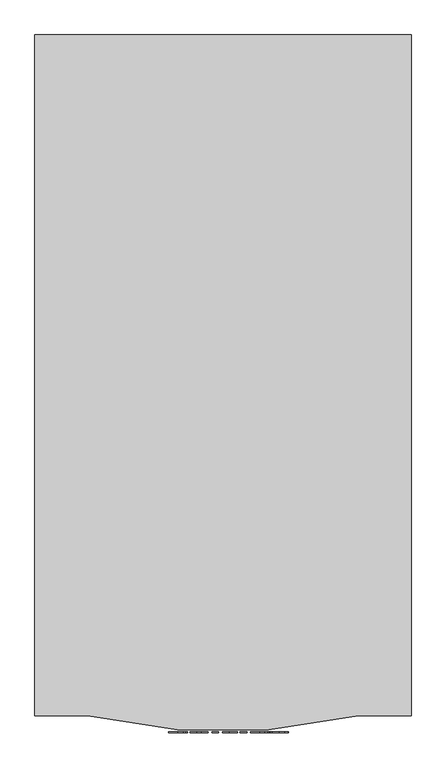
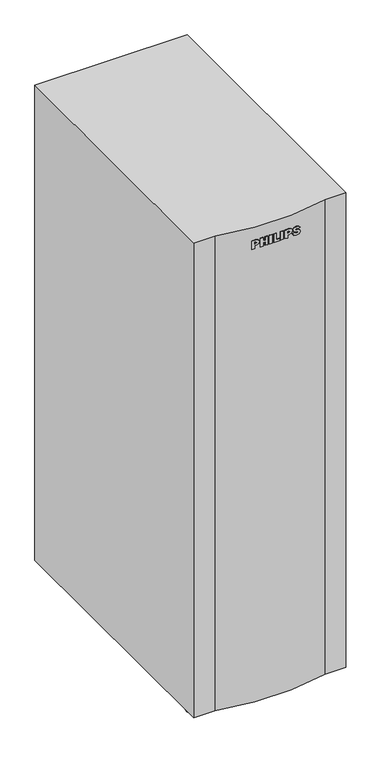
"""IFC4 building model written with IfcOpenShell, lengths in millimetres: proxy geometry."""

from ifc_helpers import new_model, si_unit, point, frame, frame_2d, origin, place, context, project, spatial, polyline, circle_curve, ellipse_curve, trimmed, segment, composite_curve, outline, extrude, source, transform, mapped, element, save
from ifc_brep_helpers import plane_surface, cylinder_surface, revolved_surface, advanced_brep


def specialty_equipment_9ed20ce3(model_context):
    return source(origin(), model_context, "Body", "SolidModel", [
        advanced_brep(
        [(245.0911998, 406.2400326, 3.175), (245.0911998, 450.6901406, 3.175), (245.0911998, 450.6901406, 0.0), (245.0911998, 406.2400326, 0.0), (245.0911998, 428.4650866, 0.0), (245.0911998, 428.4650866, 66.6216), (245.0911998, 444.3121406, 66.6216), (245.0911998, 412.6180326, 66.6216), (245.0911998, 441.1651406, 63.4746), (245.0911998, 415.7650326, 63.4746), (245.0911998, 441.1651406, 34.925), (245.0911998, 415.7650326, 34.925), (245.0911998, 433.2276406, 34.925), (245.0911998, 423.7025326, 34.925), (245.0911998, 433.2276406, 22.225), (245.0911998, 423.7025326, 22.225), (245.0911998, 434.8151406, 22.225), (245.0911998, 422.1150326, 22.225), (245.0911998, 434.8151406, 16.891), (245.0911998, 422.1150326, 16.891), (245.0911998, 435.8311406, 15.875), (245.0911998, 421.0990326, 15.875), (245.0911998, 450.6901406, 15.875), (245.0911998, 406.2400326, 15.875), (245.0911998, 452.2776406, 14.2875), (245.0911998, 404.6525326, 14.2875), (245.0911998, 452.2776406, 3.175), (245.0911998, 404.6525326, 3.175)],
        [
            (0, 1, circle_curve(frame((245.0911998, 428.4650866, 3.175), z_axis=(0.0, 0.0, -1.0), x_axis=(0.0, 1.0, 0.0)), 22.225054)),
            (1, 2),
            (2, 3, circle_curve(frame((245.0911998, 428.4650866, 0.0), z_axis=(0.0, 0.0, 1.0), x_axis=(0.0, 1.0, 0.0)), 22.225054)),
            (3, 0),
            (1, 0, circle_curve(frame((245.0911998, 428.4650866, 3.175), z_axis=(0.0, 0.0, -1.0), x_axis=(0.0, 1.0, 0.0)), 22.225054)),
            (3, 2, circle_curve(frame((245.0911998, 428.4650866, 0.0), z_axis=(0.0, 0.0, 1.0), x_axis=(0.0, 1.0, 0.0)), 22.225054)),
            (2, 4),
            (4, 3),
            (5, 6),
            (6, 7, circle_curve(frame((245.0911998, 428.4650866, 66.6216), z_axis=(0.0, 0.0, 1.0), x_axis=(0.0, 1.0, 0.0)), 15.847054)),
            (7, 5),
            (7, 6, circle_curve(frame((245.0911998, 428.4650866, 66.6216), z_axis=(0.0, 0.0, 1.0), x_axis=(0.0, 1.0, 0.0)), 15.847054)),
            (6, 8),
            (8, 9, circle_curve(frame((245.0911998, 428.4650866, 63.4746), z_axis=(0.0, 0.0, 1.0), x_axis=(0.0, 1.0, 0.0)), 12.700054)),
            (9, 7),
            (9, 8, circle_curve(frame((245.0911998, 428.4650866, 63.4746), z_axis=(0.0, 0.0, 1.0), x_axis=(0.0, 1.0, 0.0)), 12.700054)),
            (8, 10),
            (10, 11, circle_curve(frame((245.0911998, 428.4650866, 34.925), z_axis=(0.0, 0.0, 1.0), x_axis=(0.0, 1.0, 0.0)), 12.700054)),
            (11, 9),
            (11, 10, circle_curve(frame((245.0911998, 428.4650866, 34.925), z_axis=(0.0, 0.0, 1.0), x_axis=(0.0, 1.0, 0.0)), 12.700054)),
            (10, 12),
            (12, 13, circle_curve(frame((245.0911998, 428.4650866, 34.925), z_axis=(0.0, 0.0, 1.0), x_axis=(0.0, 1.0, 0.0)), 4.762554)),
            (13, 11),
            (13, 12, circle_curve(frame((245.0911998, 428.4650866, 34.925), z_axis=(0.0, 0.0, 1.0), x_axis=(0.0, 1.0, 0.0)), 4.762554)),
            (12, 14),
            (14, 15, circle_curve(frame((245.0911998, 428.4650866, 22.225), z_axis=(0.0, 0.0, 1.0), x_axis=(0.0, 1.0, 0.0)), 4.762554)),
            (15, 13),
            (15, 14, circle_curve(frame((245.0911998, 428.4650866, 22.225), z_axis=(0.0, 0.0, 1.0), x_axis=(0.0, 1.0, 0.0)), 4.762554)),
            (14, 16),
            (16, 17, circle_curve(frame((245.0911998, 428.4650866, 22.225), z_axis=(0.0, 0.0, 1.0), x_axis=(0.0, 1.0, 0.0)), 6.350054)),
            (17, 15),
            (17, 16, circle_curve(frame((245.0911998, 428.4650866, 22.225), z_axis=(0.0, 0.0, 1.0), x_axis=(0.0, 1.0, 0.0)), 6.350054)),
            (16, 18),
            (18, 19, circle_curve(frame((245.0911998, 428.4650866, 16.891), z_axis=(0.0, 0.0, 1.0), x_axis=(0.0, 1.0, 0.0)), 6.350054)),
            (19, 17),
            (19, 18, circle_curve(frame((245.0911998, 428.4650866, 16.891), z_axis=(0.0, 0.0, 1.0), x_axis=(0.0, 1.0, 0.0)), 6.350054)),
            (18, 20),
            (20, 21, circle_curve(frame((245.0911998, 428.4650866, 15.875), z_axis=(0.0, 0.0, 1.0), x_axis=(0.0, 1.0, 0.0)), 7.366054)),
            (21, 19),
            (21, 20, circle_curve(frame((245.0911998, 428.4650866, 15.875), z_axis=(0.0, 0.0, 1.0), x_axis=(0.0, 1.0, 0.0)), 7.366054)),
            (20, 22),
            (22, 23, circle_curve(frame((245.0911998, 428.4650866, 15.875), z_axis=(0.0, 0.0, 1.0), x_axis=(0.0, 1.0, 0.0)), 22.225054)),
            (23, 21),
            (23, 22, circle_curve(frame((245.0911998, 428.4650866, 15.875), z_axis=(0.0, 0.0, 1.0), x_axis=(0.0, 1.0, 0.0)), 22.225054)),
            (22, 24, circle_curve(frame((245.0911998, 450.6901406, 14.2875), z_axis=(-1.0, 0.0, 0.0), x_axis=(0.0, -1.0, 0.0)), 1.5875)),
            (24, 25, circle_curve(frame((245.0911998, 428.4650866, 14.2875), z_axis=(0.0, 0.0, 1.0), x_axis=(0.0, 1.0, 0.0)), 23.812554)),
            (25, 23, circle_curve(frame((245.0911998, 406.2400326, 14.2875), z_axis=(-1.0, 0.0, 0.0), x_axis=(0.0, 1.0, 0.0)), 1.5875)),
            (25, 24, circle_curve(frame((245.0911998, 428.4650866, 14.2875), z_axis=(0.0, 0.0, 1.0), x_axis=(0.0, 1.0, 0.0)), 23.812554)),
            (24, 26),
            (26, 27, circle_curve(frame((245.0911998, 428.4650866, 3.175), z_axis=(0.0, 0.0, 1.0), x_axis=(0.0, 1.0, 0.0)), 23.812554)),
            (27, 25),
            (27, 26, circle_curve(frame((245.0911998, 428.4650866, 3.175), z_axis=(0.0, 0.0, 1.0), x_axis=(0.0, 1.0, 0.0)), 23.812554)),
            (26, 1),
            (0, 27),
        ],
        [
            cylinder_surface(frame((245.0911998, 428.4650866, 63.4746), z_axis=(0.0, 0.0, 1.0), x_axis=(0.0, 1.0, 0.0)), 22.225054),
            plane_surface(frame((245.0911998, 428.4650866, 0.0), z_axis=(0.0, 0.0, -1.0), x_axis=(0.0, 1.0, 0.0))),
            plane_surface(frame((245.0911998, 428.4650866, 66.6216), z_axis=(0.0, 0.0, 1.0), x_axis=(0.0, 1.0, 0.0))),
            revolved_surface(polyline([(245.0911998, 441.1651406, 63.4746), (245.0911998, 444.3121406, 66.6216)]), (245.0911998, 428.4650866, 63.4746), (0.0, 0.0, 1.0)),
            cylinder_surface(frame((245.0911998, 428.4650866, 63.4746), z_axis=(0.0, 0.0, 1.0), x_axis=(0.0, 1.0, 0.0)), 12.700054),
            plane_surface(frame((245.0911998, 428.4650866, 34.925), z_axis=(0.0, 0.0, -1.0), x_axis=(0.0, 1.0, 0.0))),
            cylinder_surface(frame((245.0911998, 428.4650866, 63.4746), z_axis=(0.0, 0.0, 1.0), x_axis=(0.0, 1.0, 0.0)), 4.762554),
            plane_surface(frame((245.0911998, 428.4650866, 22.225), z_axis=(0.0, 0.0, 1.0), x_axis=(0.0, 1.0, 0.0))),
            cylinder_surface(frame((245.0911998, 428.4650866, 63.4746), z_axis=(0.0, 0.0, 1.0), x_axis=(0.0, 1.0, 0.0)), 6.350054),
            revolved_surface(polyline([(245.0911998, 435.8311406, 15.875), (245.0911998, 434.8151406, 16.891)]), (245.0911998, 428.4650866, 63.4746), (0.0, 0.0, 1.0)),
            plane_surface(frame((245.0911998, 428.4650866, 15.875), z_axis=(0.0, 0.0, 1.0), x_axis=(0.0, 1.0, 0.0))),
            revolved_surface(trimmed(ellipse_curve(frame((245.0911998, 450.6901406, 14.2875), z_axis=(1.0, 0.0, 0.0), x_axis=(0.0, -1.0, 0.0)), 1.5875, 1.5875), [point((245.0911998, 452.2776406, 14.2875))], [point((245.0911998, 450.6901406, 15.875))], True, "CARTESIAN"), (245.0911998, 428.4650866, 63.4746), (0.0, 0.0, 1.0)),
            cylinder_surface(frame((245.0911998, 428.4650866, 63.4746), z_axis=(0.0, 0.0, 1.0), x_axis=(0.0, 1.0, 0.0)), 23.812554),
            plane_surface(frame((245.0911998, 428.4650866, 3.175), z_axis=(0.0, 0.0, -1.0), x_axis=(0.0, 1.0, 0.0))),
        ],
        [
            (0, [[1, 2, 3, 4]]),
            (0, [[5, -4, 6, -2]]),
            (1, [[-3, 7, 8]]),
            (1, [[-6, -8, -7]]),
            (2, [[9, 10, 11]]),
            (2, [[-11, 12, -9]]),
            (3, [[-10, 13, 14, 15]]),
            (3, [[-12, -15, 16, -13]]),
            (4, [[-14, 17, 18, 19]]),
            (4, [[-16, -19, 20, -17]]),
            (5, [[-18, 21, 22, 23]]),
            (5, [[-20, -23, 24, -21]]),
            (6, [[-22, 25, 26, 27]]),
            (6, [[-24, -27, 28, -25]]),
            (7, [[-26, 29, 30, 31]]),
            (7, [[-28, -31, 32, -29]]),
            (8, [[-30, 33, 34, 35]]),
            (8, [[-32, -35, 36, -33]]),
            (9, [[-34, 37, 38, 39]]),
            (9, [[-36, -39, 40, -37]]),
            (10, [[-38, 41, 42, 43]]),
            (10, [[-40, -43, 44, -41]]),
            (11, [[-42, 45, 46, 47]]),
            (11, [[-44, -47, 48, -45]]),
            (12, [[-46, 49, 50, 51]]),
            (12, [[-48, -51, 52, -49]]),
            (13, [[-50, 53, -1, 54]]),
            (13, [[-52, -54, -5, -53]]),
        ],
    ),
        advanced_brep(
        [(-248.4592731, -406.2400326, 0.0), (-248.4592731, -450.6901406, 0.0), (-248.4592731, -450.6901406, 3.175), (-248.4592731, -406.2400326, 3.175), (-248.4592731, -428.4650866, 0.0), (-248.4592731, -412.6180326, 66.6216), (-248.4592731, -444.3121406, 66.6216), (-248.4592731, -428.4650866, 66.6216), (-248.4592731, -415.7650326, 63.4746), (-248.4592731, -441.1651406, 63.4746), (-248.4592731, -415.7650326, 34.925), (-248.4592731, -441.1651406, 34.925), (-248.4592731, -423.7025326, 34.925), (-248.4592731, -433.2276406, 34.925), (-248.4592731, -423.7025326, 22.225), (-248.4592731, -433.2276406, 22.225), (-248.4592731, -422.1150326, 22.225), (-248.4592731, -434.8151406, 22.225), (-248.4592731, -422.1150326, 16.891), (-248.4592731, -434.8151406, 16.891), (-248.4592731, -421.0990326, 15.875), (-248.4592731, -435.8311406, 15.875), (-248.4592731, -406.2400326, 15.875), (-248.4592731, -450.6901406, 15.875), (-248.4592731, -404.6525326, 14.2875), (-248.4592731, -452.2776406, 14.2875), (-248.4592731, -404.6525326, 3.175), (-248.4592731, -452.2776406, 3.175)],
        [
            (0, 1, circle_curve(frame((-248.4592731, -428.4650866, 0.0), z_axis=(0.0, 0.0, 1.0), x_axis=(0.0, -1.0, 0.0)), 22.225054)),
            (1, 2),
            (2, 3, circle_curve(frame((-248.4592731, -428.4650866, 3.175), z_axis=(0.0, 0.0, -1.0), x_axis=(0.0, -1.0, 0.0)), 22.225054)),
            (3, 0),
            (1, 0, circle_curve(frame((-248.4592731, -428.4650866, 0.0), z_axis=(0.0, 0.0, 1.0), x_axis=(0.0, -1.0, 0.0)), 22.225054)),
            (3, 2, circle_curve(frame((-248.4592731, -428.4650866, 3.175), z_axis=(0.0, 0.0, -1.0), x_axis=(0.0, -1.0, 0.0)), 22.225054)),
            (4, 1),
            (0, 4),
            (5, 6, circle_curve(frame((-248.4592731, -428.4650866, 66.6216), z_axis=(0.0, 0.0, 1.0), x_axis=(0.0, -1.0, 0.0)), 15.847054)),
            (6, 7),
            (7, 5),
            (6, 5, circle_curve(frame((-248.4592731, -428.4650866, 66.6216), z_axis=(0.0, 0.0, 1.0), x_axis=(0.0, -1.0, 0.0)), 15.847054)),
            (8, 9, circle_curve(frame((-248.4592731, -428.4650866, 63.4746), z_axis=(0.0, 0.0, 1.0), x_axis=(0.0, -1.0, 0.0)), 12.700054)),
            (9, 6),
            (5, 8),
            (9, 8, circle_curve(frame((-248.4592731, -428.4650866, 63.4746), z_axis=(0.0, 0.0, 1.0), x_axis=(0.0, -1.0, 0.0)), 12.700054)),
            (10, 11, circle_curve(frame((-248.4592731, -428.4650866, 34.925), z_axis=(0.0, 0.0, 1.0), x_axis=(0.0, -1.0, 0.0)), 12.700054)),
            (11, 9),
            (8, 10),
            (11, 10, circle_curve(frame((-248.4592731, -428.4650866, 34.925), z_axis=(0.0, 0.0, 1.0), x_axis=(0.0, -1.0, 0.0)), 12.700054)),
            (12, 13, circle_curve(frame((-248.4592731, -428.4650866, 34.925), z_axis=(0.0, 0.0, 1.0), x_axis=(0.0, -1.0, 0.0)), 4.762554)),
            (13, 11),
            (10, 12),
            (13, 12, circle_curve(frame((-248.4592731, -428.4650866, 34.925), z_axis=(0.0, 0.0, 1.0), x_axis=(0.0, -1.0, 0.0)), 4.762554)),
            (14, 15, circle_curve(frame((-248.4592731, -428.4650866, 22.225), z_axis=(0.0, 0.0, 1.0), x_axis=(0.0, -1.0, 0.0)), 4.762554)),
            (15, 13),
            (12, 14),
            (15, 14, circle_curve(frame((-248.4592731, -428.4650866, 22.225), z_axis=(0.0, 0.0, 1.0), x_axis=(0.0, -1.0, 0.0)), 4.762554)),
            (16, 17, circle_curve(frame((-248.4592731, -428.4650866, 22.225), z_axis=(0.0, 0.0, 1.0), x_axis=(0.0, -1.0, 0.0)), 6.350054)),
            (17, 15),
            (14, 16),
            (17, 16, circle_curve(frame((-248.4592731, -428.4650866, 22.225), z_axis=(0.0, 0.0, 1.0), x_axis=(0.0, -1.0, 0.0)), 6.350054)),
            (18, 19, circle_curve(frame((-248.4592731, -428.4650866, 16.891), z_axis=(0.0, 0.0, 1.0), x_axis=(0.0, -1.0, 0.0)), 6.350054)),
            (19, 17),
            (16, 18),
            (19, 18, circle_curve(frame((-248.4592731, -428.4650866, 16.891), z_axis=(0.0, 0.0, 1.0), x_axis=(0.0, -1.0, 0.0)), 6.350054)),
            (20, 21, circle_curve(frame((-248.4592731, -428.4650866, 15.875), z_axis=(0.0, 0.0, 1.0), x_axis=(0.0, -1.0, 0.0)), 7.366054)),
            (21, 19),
            (18, 20),
            (21, 20, circle_curve(frame((-248.4592731, -428.4650866, 15.875), z_axis=(0.0, 0.0, 1.0), x_axis=(0.0, -1.0, 0.0)), 7.366054)),
            (22, 23, circle_curve(frame((-248.4592731, -428.4650866, 15.875), z_axis=(0.0, 0.0, 1.0), x_axis=(0.0, -1.0, 0.0)), 22.225054)),
            (23, 21),
            (20, 22),
            (23, 22, circle_curve(frame((-248.4592731, -428.4650866, 15.875), z_axis=(0.0, 0.0, 1.0), x_axis=(0.0, -1.0, 0.0)), 22.225054)),
            (24, 25, circle_curve(frame((-248.4592731, -428.4650866, 14.2875), z_axis=(0.0, 0.0, 1.0), x_axis=(0.0, -1.0, 0.0)), 23.812554)),
            (25, 23, circle_curve(frame((-248.4592731, -450.6901406, 14.2875), z_axis=(-1.0, 0.0, 0.0), x_axis=(0.0, 1.0, 0.0)), 1.5875)),
            (22, 24, circle_curve(frame((-248.4592731, -406.2400326, 14.2875), z_axis=(-1.0, 0.0, 0.0), x_axis=(0.0, -1.0, 0.0)), 1.5875)),
            (25, 24, circle_curve(frame((-248.4592731, -428.4650866, 14.2875), z_axis=(0.0, 0.0, 1.0), x_axis=(0.0, -1.0, 0.0)), 23.812554)),
            (26, 27, circle_curve(frame((-248.4592731, -428.4650866, 3.175), z_axis=(0.0, 0.0, 1.0), x_axis=(0.0, -1.0, 0.0)), 23.812554)),
            (27, 25),
            (24, 26),
            (27, 26, circle_curve(frame((-248.4592731, -428.4650866, 3.175), z_axis=(0.0, 0.0, 1.0), x_axis=(0.0, -1.0, 0.0)), 23.812554)),
            (2, 27),
            (26, 3),
        ],
        [
            cylinder_surface(frame((-248.4592731, -428.4650866, 63.4746), z_axis=(0.0, 0.0, -1.0), x_axis=(0.0, -1.0, 0.0)), 22.225054),
            plane_surface(frame((-248.4592731, -428.4650866, 0.0), z_axis=(0.0, 0.0, -1.0), x_axis=(0.0, -1.0, 0.0))),
            plane_surface(frame((-248.4592731, -428.4650866, 66.6216), z_axis=(0.0, 0.0, 1.0), x_axis=(0.0, -1.0, 0.0))),
            revolved_surface(polyline([(-248.4592731, -444.3121406, 66.6216), (-248.4592731, -441.1651406, 63.4746)]), (-248.4592731, -428.4650866, 63.4746), (0.0, 0.0, -1.0)),
            cylinder_surface(frame((-248.4592731, -428.4650866, 63.4746), z_axis=(0.0, 0.0, -1.0), x_axis=(0.0, -1.0, 0.0)), 12.700054),
            plane_surface(frame((-248.4592731, -428.4650866, 34.925), z_axis=(0.0, 0.0, -1.0), x_axis=(0.0, -1.0, 0.0))),
            cylinder_surface(frame((-248.4592731, -428.4650866, 63.4746), z_axis=(0.0, 0.0, -1.0), x_axis=(0.0, -1.0, 0.0)), 4.762554),
            plane_surface(frame((-248.4592731, -428.4650866, 22.225), z_axis=(0.0, 0.0, 1.0), x_axis=(0.0, -1.0, 0.0))),
            cylinder_surface(frame((-248.4592731, -428.4650866, 63.4746), z_axis=(0.0, 0.0, -1.0), x_axis=(0.0, -1.0, 0.0)), 6.350054),
            revolved_surface(polyline([(-248.4592731, -434.8151406, 16.891), (-248.4592731, -435.8311406, 15.875)]), (-248.4592731, -428.4650866, 63.4746), (0.0, 0.0, -1.0)),
            plane_surface(frame((-248.4592731, -428.4650866, 15.875), z_axis=(0.0, 0.0, 1.0), x_axis=(0.0, -1.0, 0.0))),
            revolved_surface(trimmed(ellipse_curve(frame((-248.4592731, -450.6901406, 14.2875), z_axis=(1.0, 0.0, 0.0), x_axis=(0.0, 1.0, 0.0)), 1.5875, 1.5875), [point((-248.4592731, -450.6901406, 15.875))], [point((-248.4592731, -452.2776406, 14.2875))], True, "CARTESIAN"), (-248.4592731, -428.4650866, 63.4746), (0.0, 0.0, -1.0)),
            cylinder_surface(frame((-248.4592731, -428.4650866, 63.4746), z_axis=(0.0, 0.0, -1.0), x_axis=(0.0, -1.0, 0.0)), 23.812554),
            plane_surface(frame((-248.4592731, -428.4650866, 3.175), z_axis=(0.0, 0.0, -1.0), x_axis=(0.0, -1.0, 0.0))),
        ],
        [
            (0, [[1, 2, 3, 4]]),
            (0, [[5, -4, 6, -2]]),
            (1, [[7, -1, 8]]),
            (1, [[-8, -5, -7]]),
            (2, [[9, 10, 11]]),
            (2, [[12, -11, -10]]),
            (3, [[13, 14, -9, 15]]),
            (3, [[16, -15, -12, -14]]),
            (4, [[17, 18, -13, 19]]),
            (4, [[20, -19, -16, -18]]),
            (5, [[21, 22, -17, 23]]),
            (5, [[24, -23, -20, -22]]),
            (6, [[25, 26, -21, 27]]),
            (6, [[28, -27, -24, -26]]),
            (7, [[29, 30, -25, 31]]),
            (7, [[32, -31, -28, -30]]),
            (8, [[33, 34, -29, 35]]),
            (8, [[36, -35, -32, -34]]),
            (9, [[37, 38, -33, 39]]),
            (9, [[40, -39, -36, -38]]),
            (10, [[41, 42, -37, 43]]),
            (10, [[44, -43, -40, -42]]),
            (11, [[45, 46, -41, 47]]),
            (11, [[48, -47, -44, -46]]),
            (12, [[49, 50, -45, 51]]),
            (12, [[52, -51, -48, -50]]),
            (13, [[-3, 53, -49, 54]]),
            (13, [[-6, -54, -52, -53]]),
        ],
    ),
        extrude(outline(composite_curve([segment(polyline([(-392.6631786, 72.8965977), (-376.9107355, 97.028), (-301.0788976, 97.028), (-339.4896026, 38.1860689)]), True, "CONTINUOUS"), segment(trimmed(circle_curve(frame_2d((-366.0763906, 55.5413333)), 31.75), [point((-339.4896026, 38.1860689))], [point((-392.6631786, 72.8965977))], False, "CARTESIAN"), True, "CONTINUOUS")], self_intersect=False)), frame((-251.242125, 0.0, 0.0), z_axis=(1.0, 0.0, 0.0), x_axis=(0.0, 1.0, 0.0)), (0.0, 0.0, 1.0), 6.35),
        extrude(outline(composite_curve([segment(polyline([(-392.6631786, 72.8965977), (-376.9107355, 97.028), (-301.0788976, 97.028), (-339.4896026, 38.1860689)]), True, "CONTINUOUS"), segment(trimmed(circle_curve(frame_2d((-366.0763906, 55.5413333)), 31.75), [point((-339.4896026, 38.1860689))], [point((-392.6631786, 72.8965977))], False, "CARTESIAN"), True, "CONTINUOUS")], self_intersect=False)), frame((-154.05875, 0.0, 0.0), z_axis=(1.0, 0.0, 0.0), x_axis=(0.0, 1.0, 0.0)), (0.0, 0.0, 1.0), 6.35),
        advanced_brep(
        [(-154.82075, -365.7201406, 48.9542667), (-154.82075, -365.7201406, 62.1284), (-137.54875, -365.7201406, 62.1284), (-137.54875, -365.7201406, 48.9542667), (-154.82075, -365.7201406, 34.8403333), (-154.82075, -365.7201406, 76.2423333), (-156.4696108, -365.7201406, 33.1914725), (-156.4696108, -365.7201406, 77.8911941), (-159.58325, -365.7201406, 33.1914725), (-159.58325, -365.7201406, 77.8911941), (-159.58325, -365.7201406, 8.1914725), (-159.58325, -365.7201406, 102.8911941), (-194.13325, -365.7201406, 33.1914725), (-194.13325, -365.7201406, 77.8911941), (-194.13325, -365.7201406, 102.8911941), (-194.13325, -365.7201406, 8.1914725), (-197.2468892, -365.7201406, 33.1914725), (-197.2468892, -365.7201406, 77.8911941), (-198.89575, -365.7201406, 34.8403333), (-198.89575, -365.7201406, 76.2423333), (-261.26775, -365.7201406, 48.9542667), (-261.26775, -365.7201406, 62.1284), (-243.99575, -365.7201406, 62.1284), (-243.99575, -365.7201406, 48.9542667), (-261.26775, -365.7201406, 55.5413333), (-137.54875, -365.7201406, 55.5413333), (-199.92075, -365.7201406, 34.8403333), (-199.92075, -365.7201406, 76.2423333), (-201.5696108, -365.7201406, 33.1914725), (-201.5696108, -365.7201406, 77.8911941), (-204.68325, -365.7201406, 33.1914725), (-204.68325, -365.7201406, 77.8911941), (-204.68325, -365.7201406, 8.1914725), (-204.68325, -365.7201406, 102.8911941), (-239.23325, -365.7201406, 8.1914725), (-239.23325, -365.7201406, 102.8911941), (-239.23325, -365.7201406, 33.1914725), (-239.23325, -365.7201406, 77.8911941), (-242.3468892, -365.7201406, 33.1914725), (-242.3468892, -365.7201406, 77.8911941), (-243.99575, -365.7201406, 34.8403333), (-243.99575, -365.7201406, 76.2423333)],
        [
            (0, 1, circle_curve(frame((-154.82075, -365.7201406, 55.5413333), z_axis=(1.0, 0.0, 0.0), x_axis=(0.0, 0.0, 1.0)), 6.5870667)),
            (1, 2),
            (2, 3, circle_curve(frame((-137.54875, -365.7201406, 55.5413333), z_axis=(-1.0, 0.0, 0.0), x_axis=(0.0, 0.0, 1.0)), 6.5870667)),
            (3, 0),
            (1, 0, circle_curve(frame((-154.82075, -365.7201406, 55.5413333), z_axis=(1.0, 0.0, 0.0), x_axis=(0.0, 0.0, 1.0)), 6.5870667)),
            (3, 2, circle_curve(frame((-137.54875, -365.7201406, 55.5413333), z_axis=(-1.0, 0.0, 0.0), x_axis=(0.0, 0.0, 1.0)), 6.5870667)),
            (4, 5, circle_curve(frame((-154.82075, -365.7201406, 55.5413333), z_axis=(1.0, 0.0, 0.0), x_axis=(0.0, 0.0, 1.0)), 20.701)),
            (5, 1),
            (0, 4),
            (5, 4, circle_curve(frame((-154.82075, -365.7201406, 55.5413333), z_axis=(1.0, 0.0, 0.0), x_axis=(0.0, 0.0, 1.0)), 20.701)),
            (6, 7, circle_curve(frame((-156.4696108, -365.7201406, 55.5413333), z_axis=(1.0, 0.0, 0.0), x_axis=(0.0, 0.0, 1.0)), 22.3498608)),
            (7, 5),
            (4, 6),
            (7, 6, circle_curve(frame((-156.4696108, -365.7201406, 55.5413333), z_axis=(1.0, 0.0, 0.0), x_axis=(0.0, 0.0, 1.0)), 22.3498608)),
            (8, 9, circle_curve(frame((-159.58325, -365.7201406, 55.5413333), z_axis=(1.0, 0.0, 0.0), x_axis=(0.0, 0.0, 1.0)), 22.3498608)),
            (9, 7),
            (6, 8),
            (9, 8, circle_curve(frame((-159.58325, -365.7201406, 55.5413333), z_axis=(1.0, 0.0, 0.0), x_axis=(0.0, 0.0, 1.0)), 22.3498608)),
            (10, 11, circle_curve(frame((-159.58325, -365.7201406, 55.5413333), z_axis=(1.0, 0.0, 0.0), x_axis=(0.0, 0.0, 1.0)), 47.3498608)),
            (11, 9),
            (8, 10),
            (11, 10, circle_curve(frame((-159.58325, -365.7201406, 55.5413333), z_axis=(1.0, 0.0, 0.0), x_axis=(0.0, 0.0, 1.0)), 47.3498608)),
            (12, 13, circle_curve(frame((-194.13325, -365.7201406, 55.5413333), z_axis=(1.0, 0.0, 0.0), x_axis=(0.0, 0.0, 1.0)), 22.3498608)),
            (13, 14),
            (14, 15, circle_curve(frame((-194.13325, -365.7201406, 55.5413333), z_axis=(-1.0, 0.0, 0.0), x_axis=(0.0, 0.0, 1.0)), 47.3498608)),
            (15, 12),
            (13, 12, circle_curve(frame((-194.13325, -365.7201406, 55.5413333), z_axis=(1.0, 0.0, 0.0), x_axis=(0.0, 0.0, 1.0)), 22.3498608)),
            (15, 14, circle_curve(frame((-194.13325, -365.7201406, 55.5413333), z_axis=(-1.0, 0.0, 0.0), x_axis=(0.0, 0.0, 1.0)), 47.3498608)),
            (16, 17, circle_curve(frame((-197.2468892, -365.7201406, 55.5413333), z_axis=(1.0, 0.0, 0.0), x_axis=(0.0, 0.0, 1.0)), 22.3498608)),
            (17, 13),
            (12, 16),
            (17, 16, circle_curve(frame((-197.2468892, -365.7201406, 55.5413333), z_axis=(1.0, 0.0, 0.0), x_axis=(0.0, 0.0, 1.0)), 22.3498608)),
            (18, 19, circle_curve(frame((-198.89575, -365.7201406, 55.5413333), z_axis=(1.0, 0.0, 0.0), x_axis=(0.0, 0.0, 1.0)), 20.701)),
            (19, 17),
            (16, 18),
            (19, 18, circle_curve(frame((-198.89575, -365.7201406, 55.5413333), z_axis=(1.0, 0.0, 0.0), x_axis=(0.0, 0.0, 1.0)), 20.701)),
            (20, 21, circle_curve(frame((-261.26775, -365.7201406, 55.5413333), z_axis=(1.0, 0.0, 0.0), x_axis=(0.0, 0.0, 1.0)), 6.5870667)),
            (21, 22),
            (22, 23, circle_curve(frame((-243.99575, -365.7201406, 55.5413333), z_axis=(-1.0, 0.0, 0.0), x_axis=(0.0, 0.0, 1.0)), 6.5870667)),
            (23, 20),
            (21, 20, circle_curve(frame((-261.26775, -365.7201406, 55.5413333), z_axis=(1.0, 0.0, 0.0), x_axis=(0.0, 0.0, 1.0)), 6.5870667)),
            (23, 22, circle_curve(frame((-243.99575, -365.7201406, 55.5413333), z_axis=(-1.0, 0.0, 0.0), x_axis=(0.0, 0.0, 1.0)), 6.5870667)),
            (24, 21),
            (20, 24),
            (2, 25),
            (25, 3),
            (14, 11, circle_curve(frame((-176.85825, -365.7201406, 52.5467295), z_axis=(0.0, 1.0, 0.0), x_axis=(1.0, 0.0, 0.0)), 53.2258466)),
            (10, 15, circle_curve(frame((-176.85825, -365.7201406, 58.5359371), z_axis=(0.0, 1.0, 0.0), x_axis=(1.0, 0.0, 0.0)), 53.2258466)),
            (26, 27, circle_curve(frame((-199.92075, -365.7201406, 55.5413333), z_axis=(1.0, 0.0, 0.0), x_axis=(0.0, 0.0, 1.0)), 20.701)),
            (27, 19),
            (18, 26),
            (27, 26, circle_curve(frame((-199.92075, -365.7201406, 55.5413333), z_axis=(1.0, 0.0, 0.0), x_axis=(0.0, 0.0, 1.0)), 20.701)),
            (28, 29, circle_curve(frame((-201.5696108, -365.7201406, 55.5413333), z_axis=(1.0, 0.0, 0.0), x_axis=(0.0, 0.0, 1.0)), 22.3498608)),
            (29, 27),
            (26, 28),
            (29, 28, circle_curve(frame((-201.5696108, -365.7201406, 55.5413333), z_axis=(1.0, 0.0, 0.0), x_axis=(0.0, 0.0, 1.0)), 22.3498608)),
            (30, 31, circle_curve(frame((-204.68325, -365.7201406, 55.5413333), z_axis=(1.0, 0.0, 0.0), x_axis=(0.0, 0.0, 1.0)), 22.3498608)),
            (31, 29),
            (28, 30),
            (31, 30, circle_curve(frame((-204.68325, -365.7201406, 55.5413333), z_axis=(1.0, 0.0, 0.0), x_axis=(0.0, 0.0, 1.0)), 22.3498608)),
            (32, 33, circle_curve(frame((-204.68325, -365.7201406, 55.5413333), z_axis=(1.0, 0.0, 0.0), x_axis=(0.0, 0.0, 1.0)), 47.3498608)),
            (33, 31),
            (30, 32),
            (33, 32, circle_curve(frame((-204.68325, -365.7201406, 55.5413333), z_axis=(1.0, 0.0, 0.0), x_axis=(0.0, 0.0, 1.0)), 47.3498608)),
            (34, 35, circle_curve(frame((-239.23325, -365.7201406, 55.5413333), z_axis=(1.0, 0.0, 0.0), x_axis=(0.0, 0.0, 1.0)), 47.3498608)),
            (35, 33, circle_curve(frame((-221.95825, -365.7201406, 52.5467295), z_axis=(0.0, 1.0, 0.0), x_axis=(1.0, 0.0, 0.0)), 53.2258466)),
            (32, 34, circle_curve(frame((-221.95825, -365.7201406, 58.5359371), z_axis=(0.0, 1.0, 0.0), x_axis=(1.0, 0.0, 0.0)), 53.2258466)),
            (35, 34, circle_curve(frame((-239.23325, -365.7201406, 55.5413333), z_axis=(1.0, 0.0, 0.0), x_axis=(0.0, 0.0, 1.0)), 47.3498608)),
            (36, 37, circle_curve(frame((-239.23325, -365.7201406, 55.5413333), z_axis=(1.0, 0.0, 0.0), x_axis=(0.0, 0.0, 1.0)), 22.3498608)),
            (37, 35),
            (34, 36),
            (37, 36, circle_curve(frame((-239.23325, -365.7201406, 55.5413333), z_axis=(1.0, 0.0, 0.0), x_axis=(0.0, 0.0, 1.0)), 22.3498608)),
            (38, 39, circle_curve(frame((-242.3468892, -365.7201406, 55.5413333), z_axis=(1.0, 0.0, 0.0), x_axis=(0.0, 0.0, 1.0)), 22.3498608)),
            (39, 37),
            (36, 38),
            (39, 38, circle_curve(frame((-242.3468892, -365.7201406, 55.5413333), z_axis=(1.0, 0.0, 0.0), x_axis=(0.0, 0.0, 1.0)), 22.3498608)),
            (40, 41, circle_curve(frame((-243.99575, -365.7201406, 55.5413333), z_axis=(1.0, 0.0, 0.0), x_axis=(0.0, 0.0, 1.0)), 20.701)),
            (41, 39),
            (38, 40),
            (41, 40, circle_curve(frame((-243.99575, -365.7201406, 55.5413333), z_axis=(1.0, 0.0, 0.0), x_axis=(0.0, 0.0, 1.0)), 20.701)),
            (22, 41),
            (40, 23),
        ],
        [
            cylinder_surface(frame((-232.41775, -365.7201406, 55.5413333), z_axis=(-1.0, 0.0, 0.0), x_axis=(0.0, 0.0, 1.0)), 6.5870667),
            plane_surface(frame((-154.82075, -365.7201406, 55.5413333), z_axis=(1.0, 0.0, 0.0), x_axis=(0.0, 0.0, 1.0))),
            revolved_surface(polyline([(-154.82075, -365.7201406, 76.2423333), (-156.4696108, -365.7201406, 77.8911941)]), (-232.41775, -365.7201406, 55.5413333), (-1.0, 0.0, 0.0)),
            cylinder_surface(frame((-232.41775, -365.7201406, 55.5413333), z_axis=(-1.0, 0.0, 0.0), x_axis=(0.0, 0.0, 1.0)), 22.3498608),
            plane_surface(frame((-159.58325, -365.7201406, 55.5413333), z_axis=(1.0, 0.0, 0.0), x_axis=(0.0, 0.0, 1.0))),
            plane_surface(frame((-194.13325, -365.7201406, 55.5413333), z_axis=(-1.0, 0.0, 0.0), x_axis=(0.0, 0.0, 1.0))),
            revolved_surface(polyline([(-197.2468892, -365.7201406, 77.8911941), (-198.89575, -365.7201406, 76.2423333)]), (-232.41775, -365.7201406, 55.5413333), (-1.0, 0.0, 0.0)),
            plane_surface(frame((-261.26775, -365.7201406, 55.5413333), z_axis=(-1.0, 0.0, 0.0), x_axis=(0.0, 0.0, 1.0))),
            plane_surface(frame((-137.54875, -365.7201406, 55.5413333), z_axis=(1.0, 0.0, 0.0), x_axis=(0.0, 0.0, 1.0))),
            revolved_surface(trimmed(ellipse_curve(frame((-176.85825, -365.7201406, 52.5467295), z_axis=(0.0, -1.0, 0.0), x_axis=(1.0, 0.0, 0.0)), 53.2258466, 53.2258466), [point((-159.58325, -365.7201406, 102.8911941))], [point((-194.13325, -365.7201406, 102.8911941))], True, "CARTESIAN"), (-232.41775, -365.7201406, 55.5413333), (-1.0, 0.0, 0.0)),
            cylinder_surface(frame((-232.41775, -365.7201406, 55.5413333), z_axis=(-1.0, 0.0, 0.0), x_axis=(0.0, 0.0, 1.0)), 20.701),
            revolved_surface(polyline([(-199.92075, -365.7201406, 76.2423333), (-201.5696108, -365.7201406, 77.8911941)]), (-232.41775, -365.7201406, 55.5413333), (-1.0, 0.0, 0.0)),
            plane_surface(frame((-204.68325, -365.7201406, 55.5413333), z_axis=(1.0, 0.0, 0.0), x_axis=(0.0, 0.0, 1.0))),
            revolved_surface(trimmed(ellipse_curve(frame((-221.95825, -365.7201406, 52.5467295), z_axis=(0.0, -1.0, 0.0), x_axis=(1.0, 0.0, 0.0)), 53.2258466, 53.2258466), [point((-204.68325, -365.7201406, 102.8911941))], [point((-239.23325, -365.7201406, 102.8911941))], True, "CARTESIAN"), (-232.41775, -365.7201406, 55.5413333), (-1.0, 0.0, 0.0)),
            plane_surface(frame((-239.23325, -365.7201406, 55.5413333), z_axis=(-1.0, 0.0, 0.0), x_axis=(0.0, 0.0, 1.0))),
            revolved_surface(polyline([(-242.3468892, -365.7201406, 77.8911941), (-243.99575, -365.7201406, 76.2423333)]), (-232.41775, -365.7201406, 55.5413333), (-1.0, 0.0, 0.0)),
            plane_surface(frame((-243.99575, -365.7201406, 55.5413333), z_axis=(-1.0, 0.0, 0.0), x_axis=(0.0, 0.0, 1.0))),
        ],
        [
            (0, [[1, 2, 3, 4]]),
            (0, [[5, -4, 6, -2]]),
            (1, [[7, 8, -1, 9]]),
            (1, [[10, -9, -5, -8]]),
            (2, [[11, 12, -7, 13]]),
            (2, [[14, -13, -10, -12]]),
            (3, [[15, 16, -11, 17]]),
            (3, [[18, -17, -14, -16]]),
            (4, [[19, 20, -15, 21]]),
            (4, [[22, -21, -18, -20]]),
            (5, [[23, 24, 25, 26]]),
            (5, [[27, -26, 28, -24]]),
            (3, [[29, 30, -23, 31]]),
            (3, [[32, -31, -27, -30]]),
            (6, [[33, 34, -29, 35]]),
            (6, [[36, -35, -32, -34]]),
            (0, [[37, 38, 39, 40]]),
            (0, [[41, -40, 42, -38]]),
            (7, [[43, -37, 44]]),
            (7, [[-44, -41, -43]]),
            (8, [[-3, 45, 46]]),
            (8, [[-6, -46, -45]]),
            (9, [[-25, 47, -19, 48]]),
            (9, [[-28, -48, -22, -47]]),
            (10, [[49, 50, -33, 51]]),
            (10, [[52, -51, -36, -50]]),
            (11, [[53, 54, -49, 55]]),
            (11, [[56, -55, -52, -54]]),
            (3, [[57, 58, -53, 59]]),
            (3, [[60, -59, -56, -58]]),
            (12, [[61, 62, -57, 63]]),
            (12, [[64, -63, -60, -62]]),
            (13, [[65, 66, -61, 67]]),
            (13, [[68, -67, -64, -66]]),
            (14, [[69, 70, -65, 71]]),
            (14, [[72, -71, -68, -70]]),
            (3, [[73, 74, -69, 75]]),
            (3, [[76, -75, -72, -74]]),
            (15, [[77, 78, -73, 79]]),
            (15, [[80, -79, -76, -78]]),
            (16, [[-39, 81, -77, 82]]),
            (16, [[-42, -82, -80, -81]]),
        ],
    ),
        advanced_brep(
        [(245.0911998, -406.2400326, 0.0), (245.0911998, -450.6901406, 0.0), (245.0911998, -450.6901406, 3.175), (245.0911998, -406.2400326, 3.175), (245.0911998, -428.4650866, 0.0), (245.0911998, -412.6180326, 66.6216), (245.0911998, -444.3121406, 66.6216), (245.0911998, -428.4650866, 66.6216), (245.0911998, -415.7650326, 63.4746), (245.0911998, -441.1651406, 63.4746), (245.0911998, -415.7650326, 34.925), (245.0911998, -441.1651406, 34.925), (245.0911998, -423.7025326, 34.925), (245.0911998, -433.2276406, 34.925), (245.0911998, -423.7025326, 22.225), (245.0911998, -433.2276406, 22.225), (245.0911998, -422.1150326, 22.225), (245.0911998, -434.8151406, 22.225), (245.0911998, -422.1150326, 16.891), (245.0911998, -434.8151406, 16.891), (245.0911998, -421.0990326, 15.875), (245.0911998, -435.8311406, 15.875), (245.0911998, -406.2400326, 15.875), (245.0911998, -450.6901406, 15.875), (245.0911998, -404.6525326, 14.2875), (245.0911998, -452.2776406, 14.2875), (245.0911998, -404.6525326, 3.175), (245.0911998, -452.2776406, 3.175)],
        [
            (0, 1, circle_curve(frame((245.0911998, -428.4650866, 0.0), z_axis=(0.0, 0.0, 1.0), x_axis=(0.0, -1.0, 0.0)), 22.225054)),
            (1, 2),
            (2, 3, circle_curve(frame((245.0911998, -428.4650866, 3.175), z_axis=(0.0, 0.0, -1.0), x_axis=(0.0, -1.0, 0.0)), 22.225054)),
            (3, 0),
            (1, 0, circle_curve(frame((245.0911998, -428.4650866, 0.0), z_axis=(0.0, 0.0, 1.0), x_axis=(0.0, -1.0, 0.0)), 22.225054)),
            (3, 2, circle_curve(frame((245.0911998, -428.4650866, 3.175), z_axis=(0.0, 0.0, -1.0), x_axis=(0.0, -1.0, 0.0)), 22.225054)),
            (4, 1),
            (0, 4),
            (5, 6, circle_curve(frame((245.0911998, -428.4650866, 66.6216), z_axis=(0.0, 0.0, 1.0), x_axis=(0.0, -1.0, 0.0)), 15.847054)),
            (6, 7),
            (7, 5),
            (6, 5, circle_curve(frame((245.0911998, -428.4650866, 66.6216), z_axis=(0.0, 0.0, 1.0), x_axis=(0.0, -1.0, 0.0)), 15.847054)),
            (8, 9, circle_curve(frame((245.0911998, -428.4650866, 63.4746), z_axis=(0.0, 0.0, 1.0), x_axis=(0.0, -1.0, 0.0)), 12.700054)),
            (9, 6),
            (5, 8),
            (9, 8, circle_curve(frame((245.0911998, -428.4650866, 63.4746), z_axis=(0.0, 0.0, 1.0), x_axis=(0.0, -1.0, 0.0)), 12.700054)),
            (10, 11, circle_curve(frame((245.0911998, -428.4650866, 34.925), z_axis=(0.0, 0.0, 1.0), x_axis=(0.0, -1.0, 0.0)), 12.700054)),
            (11, 9),
            (8, 10),
            (11, 10, circle_curve(frame((245.0911998, -428.4650866, 34.925), z_axis=(0.0, 0.0, 1.0), x_axis=(0.0, -1.0, 0.0)), 12.700054)),
            (12, 13, circle_curve(frame((245.0911998, -428.4650866, 34.925), z_axis=(0.0, 0.0, 1.0), x_axis=(0.0, -1.0, 0.0)), 4.762554)),
            (13, 11),
            (10, 12),
            (13, 12, circle_curve(frame((245.0911998, -428.4650866, 34.925), z_axis=(0.0, 0.0, 1.0), x_axis=(0.0, -1.0, 0.0)), 4.762554)),
            (14, 15, circle_curve(frame((245.0911998, -428.4650866, 22.225), z_axis=(0.0, 0.0, 1.0), x_axis=(0.0, -1.0, 0.0)), 4.762554)),
            (15, 13),
            (12, 14),
            (15, 14, circle_curve(frame((245.0911998, -428.4650866, 22.225), z_axis=(0.0, 0.0, 1.0), x_axis=(0.0, -1.0, 0.0)), 4.762554)),
            (16, 17, circle_curve(frame((245.0911998, -428.4650866, 22.225), z_axis=(0.0, 0.0, 1.0), x_axis=(0.0, -1.0, 0.0)), 6.350054)),
            (17, 15),
            (14, 16),
            (17, 16, circle_curve(frame((245.0911998, -428.4650866, 22.225), z_axis=(0.0, 0.0, 1.0), x_axis=(0.0, -1.0, 0.0)), 6.350054)),
            (18, 19, circle_curve(frame((245.0911998, -428.4650866, 16.891), z_axis=(0.0, 0.0, 1.0), x_axis=(0.0, -1.0, 0.0)), 6.350054)),
            (19, 17),
            (16, 18),
            (19, 18, circle_curve(frame((245.0911998, -428.4650866, 16.891), z_axis=(0.0, 0.0, 1.0), x_axis=(0.0, -1.0, 0.0)), 6.350054)),
            (20, 21, circle_curve(frame((245.0911998, -428.4650866, 15.875), z_axis=(0.0, 0.0, 1.0), x_axis=(0.0, -1.0, 0.0)), 7.366054)),
            (21, 19),
            (18, 20),
            (21, 20, circle_curve(frame((245.0911998, -428.4650866, 15.875), z_axis=(0.0, 0.0, 1.0), x_axis=(0.0, -1.0, 0.0)), 7.366054)),
            (22, 23, circle_curve(frame((245.0911998, -428.4650866, 15.875), z_axis=(0.0, 0.0, 1.0), x_axis=(0.0, -1.0, 0.0)), 22.225054)),
            (23, 21),
            (20, 22),
            (23, 22, circle_curve(frame((245.0911998, -428.4650866, 15.875), z_axis=(0.0, 0.0, 1.0), x_axis=(0.0, -1.0, 0.0)), 22.225054)),
            (24, 25, circle_curve(frame((245.0911998, -428.4650866, 14.2875), z_axis=(0.0, 0.0, 1.0), x_axis=(0.0, -1.0, 0.0)), 23.812554)),
            (25, 23, circle_curve(frame((245.0911998, -450.6901406, 14.2875), z_axis=(-1.0, 0.0, 0.0), x_axis=(0.0, 1.0, 0.0)), 1.5875)),
            (22, 24, circle_curve(frame((245.0911998, -406.2400326, 14.2875), z_axis=(-1.0, 0.0, 0.0), x_axis=(0.0, -1.0, 0.0)), 1.5875)),
            (25, 24, circle_curve(frame((245.0911998, -428.4650866, 14.2875), z_axis=(0.0, 0.0, 1.0), x_axis=(0.0, -1.0, 0.0)), 23.812554)),
            (26, 27, circle_curve(frame((245.0911998, -428.4650866, 3.175), z_axis=(0.0, 0.0, 1.0), x_axis=(0.0, -1.0, 0.0)), 23.812554)),
            (27, 25),
            (24, 26),
            (27, 26, circle_curve(frame((245.0911998, -428.4650866, 3.175), z_axis=(0.0, 0.0, 1.0), x_axis=(0.0, -1.0, 0.0)), 23.812554)),
            (2, 27),
            (26, 3),
        ],
        [
            cylinder_surface(frame((245.0911998, -428.4650866, 63.4746), z_axis=(0.0, 0.0, -1.0), x_axis=(0.0, -1.0, 0.0)), 22.225054),
            plane_surface(frame((245.0911998, -428.4650866, 0.0), z_axis=(0.0, 0.0, -1.0), x_axis=(0.0, -1.0, 0.0))),
            plane_surface(frame((245.0911998, -428.4650866, 66.6216), z_axis=(0.0, 0.0, 1.0), x_axis=(0.0, -1.0, 0.0))),
            revolved_surface(polyline([(245.0911998, -444.3121406, 66.6216), (245.0911998, -441.1651406, 63.4746)]), (245.0911998, -428.4650866, 63.4746), (0.0, 0.0, -1.0)),
            cylinder_surface(frame((245.0911998, -428.4650866, 63.4746), z_axis=(0.0, 0.0, -1.0), x_axis=(0.0, -1.0, 0.0)), 12.700054),
            plane_surface(frame((245.0911998, -428.4650866, 34.925), z_axis=(0.0, 0.0, -1.0), x_axis=(0.0, -1.0, 0.0))),
            cylinder_surface(frame((245.0911998, -428.4650866, 63.4746), z_axis=(0.0, 0.0, -1.0), x_axis=(0.0, -1.0, 0.0)), 4.762554),
            plane_surface(frame((245.0911998, -428.4650866, 22.225), z_axis=(0.0, 0.0, 1.0), x_axis=(0.0, -1.0, 0.0))),
            cylinder_surface(frame((245.0911998, -428.4650866, 63.4746), z_axis=(0.0, 0.0, -1.0), x_axis=(0.0, -1.0, 0.0)), 6.350054),
            revolved_surface(polyline([(245.0911998, -434.8151406, 16.891), (245.0911998, -435.8311406, 15.875)]), (245.0911998, -428.4650866, 63.4746), (0.0, 0.0, -1.0)),
            plane_surface(frame((245.0911998, -428.4650866, 15.875), z_axis=(0.0, 0.0, 1.0), x_axis=(0.0, -1.0, 0.0))),
            revolved_surface(trimmed(ellipse_curve(frame((245.0911998, -450.6901406, 14.2875), z_axis=(1.0, 0.0, 0.0), x_axis=(0.0, 1.0, 0.0)), 1.5875, 1.5875), [point((245.0911998, -450.6901406, 15.875))], [point((245.0911998, -452.2776406, 14.2875))], True, "CARTESIAN"), (245.0911998, -428.4650866, 63.4746), (0.0, 0.0, -1.0)),
            cylinder_surface(frame((245.0911998, -428.4650866, 63.4746), z_axis=(0.0, 0.0, -1.0), x_axis=(0.0, -1.0, 0.0)), 23.812554),
            plane_surface(frame((245.0911998, -428.4650866, 3.175), z_axis=(0.0, 0.0, -1.0), x_axis=(0.0, -1.0, 0.0))),
        ],
        [
            (0, [[1, 2, 3, 4]]),
            (0, [[5, -4, 6, -2]]),
            (1, [[7, -1, 8]]),
            (1, [[-8, -5, -7]]),
            (2, [[9, 10, 11]]),
            (2, [[12, -11, -10]]),
            (3, [[13, 14, -9, 15]]),
            (3, [[16, -15, -12, -14]]),
            (4, [[17, 18, -13, 19]]),
            (4, [[20, -19, -16, -18]]),
            (5, [[21, 22, -17, 23]]),
            (5, [[24, -23, -20, -22]]),
            (6, [[25, 26, -21, 27]]),
            (6, [[28, -27, -24, -26]]),
            (7, [[29, 30, -25, 31]]),
            (7, [[32, -31, -28, -30]]),
            (8, [[33, 34, -29, 35]]),
            (8, [[36, -35, -32, -34]]),
            (9, [[37, 38, -33, 39]]),
            (9, [[40, -39, -36, -38]]),
            (10, [[41, 42, -37, 43]]),
            (10, [[44, -43, -40, -42]]),
            (11, [[45, 46, -41, 47]]),
            (11, [[48, -47, -44, -46]]),
            (12, [[49, 50, -45, 51]]),
            (12, [[52, -51, -48, -50]]),
            (13, [[-3, 53, -49, 54]]),
            (13, [[-6, -54, -52, -53]]),
        ],
    ),
        extrude(outline(polyline([(1952.1367707, -75.9540253), (1952.1367707, -69.8051764), (1955.2266187, -60.3968206), (1963.3342565, -56.8699725), (1969.2877406, -58.5665612), (1973.225883, -63.1576332), (1974.5111775, -71.6148711), (1974.5111775, -86.4831579), (1939.6334258, -86.4831579), (1939.6334258, -75.9540253), (1952.1367707, -75.9540253)]), holes=[polyline([(1959.3755494, -75.9540253), (1966.614328, -75.9540253), (1966.614328, -71.902777), (1963.1080446, -67.3991051), (1959.3755494, -72.2729418), (1959.3755494, -75.9540253)])]), frame((0.0, -556.9533642, 0.0), z_axis=(0.0, 1.0, 0.0), x_axis=(0.0, 0.0, 1.0)), (0.0, 0.0, 1.0), 2.0),
        extrude(outline(polyline([(1974.5111775, -23.9664332), (1974.5111775, -34.4955657), (1962.0078325, -34.4955657), (1962.0078325, -42.3924152), (1974.5111775, -42.3924152), (1974.5111775, -52.9215478), (1939.6334258, -52.9215478), (1939.6334258, -42.3924152), (1953.4529123, -42.3924152), (1953.4529123, -34.4955657), (1939.6334258, -34.4955657), (1939.6334258, -23.9664332), (1974.5111775, -23.9664332)])), frame((0.0, -556.9533642, 0.0), z_axis=(0.0, 1.0, 0.0), x_axis=(0.0, 0.0, 1.0)), (0.0, 0.0, 1.0), 2.0),
        extrude(outline(polyline([(-6.8565927, -556.9533642), (-17.3857253, -556.9533642), (-17.3857253, -554.9533642), (-6.8565927, -554.9533642), (-6.8565927, -556.9533642)])), frame((0.0, 0.0, 1939.6334258), z_axis=(0.0, 0.0, 1.0), x_axis=(1.0, 0.0, 0.0)), (0.0, 0.0, 1.0), 34.8777517),
        extrude(outline(polyline([(1948.188346, 23.4146635), (1948.188346, 9.595177), (1974.5111775, 9.595177), (1974.5111775, -0.9339556), (1939.6334258, -0.9339556), (1939.6334258, 23.4146635), (1948.188346, 23.4146635)])), frame((0.0, -556.9533642, 0.0), z_axis=(0.0, 1.0, 0.0), x_axis=(0.0, 0.0, 1.0)), (0.0, 0.0, 1.0), 2.0),
        extrude(outline(polyline([(37.8922208, -556.9533642), (27.3630882, -556.9533642), (27.3630882, -554.9533642), (37.8922208, -554.9533642), (37.8922208, -556.9533642)])), frame((0.0, 0.0, 1939.6334258), z_axis=(0.0, 0.0, 1.0), x_axis=(1.0, 0.0, 0.0)), (0.0, 0.0, 1.0), 34.8777517),
        extrude(outline(polyline([(1952.1367707, 54.3439905), (1952.1367707, 60.4928394), (1955.2266187, 69.9011952), (1963.3342565, 73.4280433), (1969.2877406, 71.7314545), (1973.225883, 67.1403826), (1974.5111775, 58.6831447), (1974.5111775, 43.8148579), (1939.6334258, 43.8148579), (1939.6334258, 54.3439905), (1952.1367707, 54.3439905)]), holes=[polyline([(1959.3755494, 54.3439905), (1966.614328, 54.3439905), (1966.614328, 58.3952387), (1963.1080446, 62.8989107), (1959.3755494, 58.0250739), (1959.3755494, 54.3439905)])]), frame((0.0, -556.9533642, 0.0), z_axis=(0.0, 1.0, 0.0), x_axis=(0.0, 0.0, 1.0)), (0.0, 0.0, 1.0), 2.0),
        extrude(outline(polyline([(1949.0417816, 73.4280433), (1941.4919616, 78.7928625), (1938.975355, 88.985248), (1942.2811325, 100.1158984), (1950.9131704, 104.3573703), (1956.7689721, 102.6659227), (1960.2392673, 98.3987449), (1962.5013856, 89.6947305), (1963.5193389, 86.7025649), (1965.0616923, 85.9313882), (1967.2723988, 89.4788011), (1963.9820449, 95.1443792), (1966.6554575, 103.6992995), (1973.0408006, 98.5195626), (1975.1692483, 89.766707), (1971.8737532, 79.109045), (1963.6118801, 75.4022556), (1956.8975016, 78.0191153), (1952.0339472, 89.6330364), (1950.8411939, 92.9079668), (1949.0623463, 93.8282377), (1946.8722044, 89.766707), (1950.8206292, 83.2991051), (1949.0417816, 73.4280433)])), frame((0.0, -556.9533642, 0.0), z_axis=(0.0, 1.0, 0.0), x_axis=(0.0, 0.0, 1.0)), (0.0, 0.0, 1.0), 2.0),
        extrude(outline(composite_curve([segment(polyline([(-300.0147149, -529.4032063), (-300.0147149, 555.0), (300.0050454, 555.0), (300.0050454, -529.4032063), (215.8510216, -529.4032063)]), True, "CONTINUOUS"), segment(trimmed(circle_curve(frame_2d((-0.0862818, 370.3192392)), 925.2726074), [point((215.8510216, -529.4032063))], [point((-216.0235852, -529.4032063))], False, "CARTESIAN"), True, "CONTINUOUS"), segment(polyline([(-216.0235852, -529.4032063), (-300.0147149, -529.4032063)]), True, "CONTINUOUS")], self_intersect=False)), frame((0.0, 0.0, 45.0), z_axis=(0.0, 0.0, 1.0), x_axis=(1.0, 0.0, 0.0)), (0.0, 0.0, 1.0), 1981.0),
    ])


if __name__ == "__main__":
    model = new_model("IFC4")
    model_context = context("Model", 3, world=origin())
    ifc_project = project(units=[si_unit("LENGTHUNIT", "METRE", prefix="MILLI")], contexts=[model_context])
    site = spatial("IfcSite", under=ifc_project)
    building = spatial("IfcBuilding", under=site)
    placement = place(None, origin())
    specialty_equipment_shape = specialty_equipment_9ed20ce3(model_context)
    element("IfcBuildingElementProxy", 1, Name="Specialty Equipment", at=placement, inside=building, context=model_context, shape_type="MappedRepresentation", body=[
        mapped(specialty_equipment_shape, transform((0.0, 0.0, 0.0), x_axis=(1.0, 0.0, 0.0), y_axis=(0.0, 1.0, 0.0), z_axis=(0.0, 0.0, 1.0))),
    ])
    save(model, "model.ifc")
